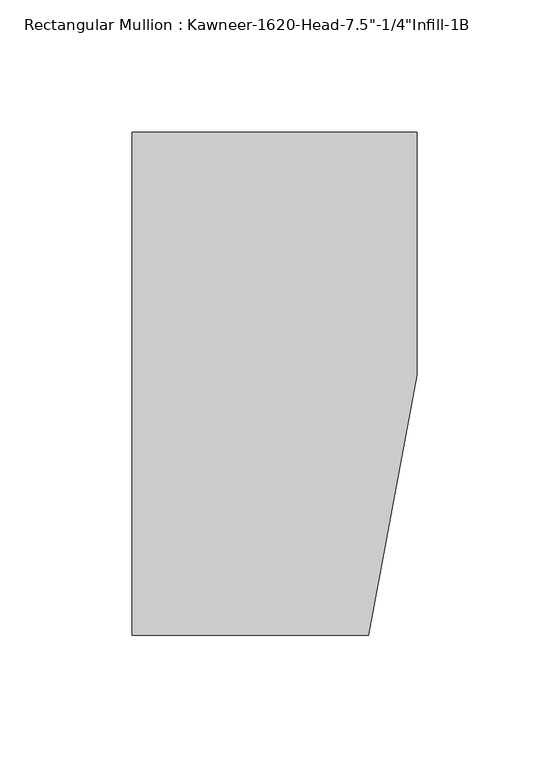
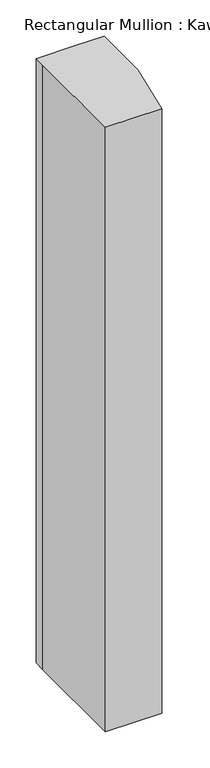
"""IFC4 building model written with IfcOpenShell, lengths in millimetres: member geometry."""

from ifc_helpers import new_model, si_unit, frame, origin, place, context, project, spatial, polyline, outline, extrude, source, transform, mapped, element, save


def member_74a25aed(model_context):
    return source(origin(), model_context, "Body", "SweptSolid", [
        extrude(outline(polyline([(-107.95, 10.3845466), (-107.95, 28.575), (-44.1519366, 28.575), (0.0, 28.575), (0.0, -63.5), (-18.3538271, -161.925), (-107.95, -161.925), (-107.95, 10.3845466)])), frame((0.0, 0.0, -1016.0), z_axis=(0.0, 0.0, 1.0), x_axis=(1.0, 0.0, 0.0)), (0.0, 0.0, 1.0), 1016.0),
    ])


if __name__ == "__main__":
    model = new_model("IFC4")
    model_context = context("Model", 3, world=origin())
    ifc_project = project(units=[si_unit("LENGTHUNIT", "METRE", prefix="MILLI")], contexts=[model_context])
    site = spatial("IfcSite", under=ifc_project)
    building = spatial("IfcBuilding", under=site)
    placement = place(None, origin())
    member_shape = member_74a25aed(model_context)
    element("IfcMember", 1, ObjectType="Rectangular Mullion : Kawneer-1620-Head-7.5\"-1/4\"Infill-1B", at=placement, inside=building, context=model_context, shape_type="MappedRepresentation", body=[
        mapped(member_shape, transform((0.0, 0.0, 0.0), x_axis=(1.0, 0.0, 0.0), y_axis=(0.0, 1.0, 0.0), z_axis=(0.0, 0.0, 1.0))),
    ])
    save(model, "model.ifc")
